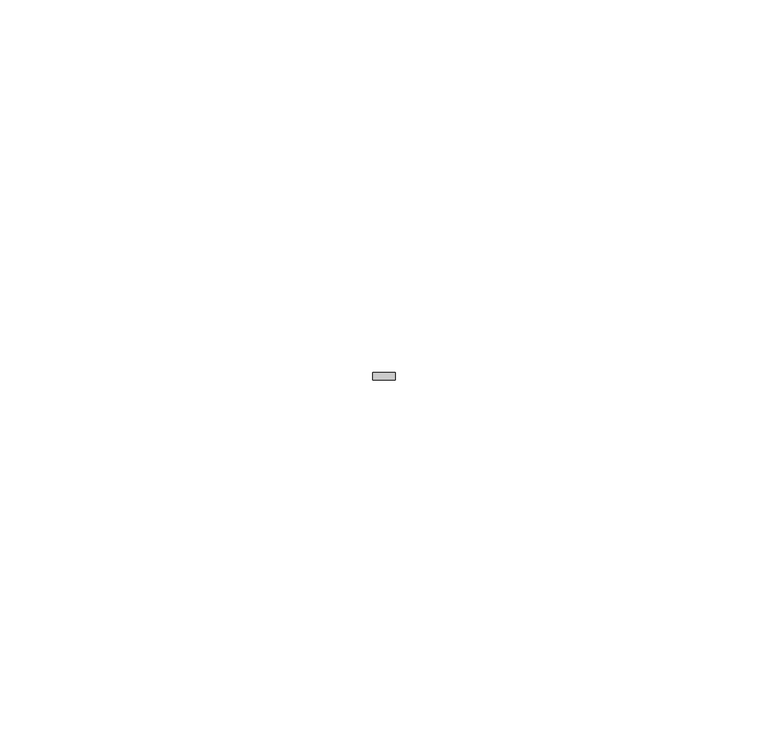
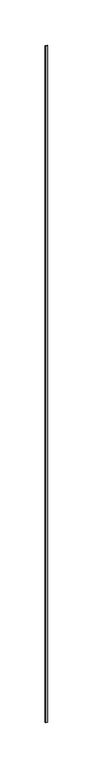
"""IFC4 building model written with IfcOpenShell, lengths in millimetres: member geometry."""

from ifc_helpers import new_model, si_unit, frame, origin, place, context, project, spatial, polyline, outline, extrude, source, transform, mapped, element, save


def member_c64ac6e4(model_context):
    return source(origin(), model_context, "Body", "SweptSolid", [
        extrude(outline(polyline([(0.0, -6.0), (0.0, -7.0), (-3.0, -7.0), (-3.0, -6.0), (0.0, -6.0)])), frame((0.0, 0.0, -914.0), z_axis=(0.0, 0.0, 1.0), x_axis=(1.0, 0.0, 0.0)), (0.0, 0.0, 1.0), 914.0),
    ])


if __name__ == "__main__":
    model = new_model("IFC4")
    model_context = context("Model", 3, world=origin())
    ifc_project = project(units=[si_unit("LENGTHUNIT", "METRE", prefix="MILLI")], contexts=[model_context])
    site = spatial("IfcSite", under=ifc_project)
    building = spatial("IfcBuilding", under=site)
    placement = place(None, origin())
    member_shape = member_c64ac6e4(model_context)
    element("IfcMember", 1, at=placement, inside=building, context=model_context, shape_type="MappedRepresentation", body=[
        mapped(member_shape, transform((0.0, 0.0, 0.0), x_axis=(1.0, 0.0, 0.0), y_axis=(0.0, 1.0, 0.0), z_axis=(0.0, 0.0, 1.0))),
    ])
    save(model, "model.ifc")
